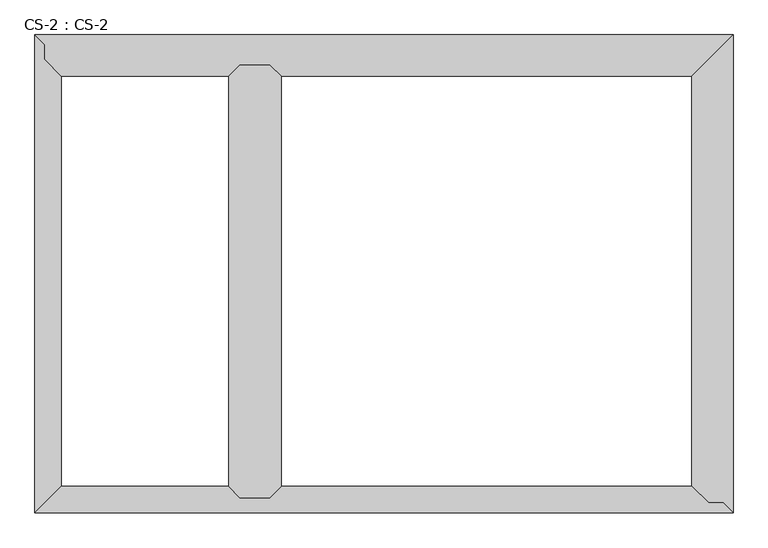
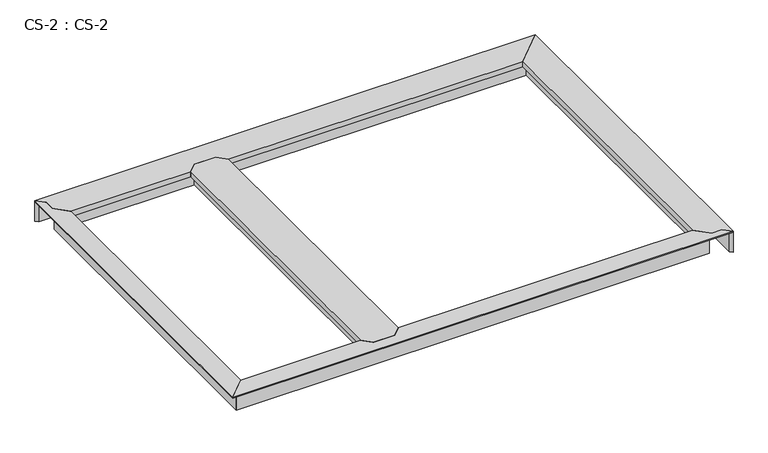
"""IFC4 building model written with IfcOpenShell, lengths in millimetres: proxy geometry, CS-2 : CS-2."""

from ifc_helpers import new_model, si_unit, origin, place, context, project, spatial, faceted_brep, source, transform, mapped, element, save


def cs_2_cs_2_a441e8d0(model_context):
    return source(origin(), model_context, "Body", "Brep", [
        faceted_brep([(515.62, 982.98, 46.355), (515.62, 982.98, 0.0), (508.635, 982.98, 0.0), (508.635, 982.98, 63.5), (456.565, 982.98, 63.5), (456.565, 982.98, 0.0), (449.58, 982.98, 0.0), (449.58, 982.98, 46.355), (449.58, 982.98, 66.675), (515.62, 982.98, 66.675), (449.58, 33.02, 46.355), (449.58, 33.02, 0.0), (456.565, 33.02, 0.0), (456.565, 33.02, 63.5), (508.635, 33.02, 63.5), (508.635, 33.02, 0.0), (515.62, 33.02, 0.0), (515.62, 33.02, 46.355), (515.62, 33.02, 66.675), (449.58, 33.02, 66.675), (424.942, 57.658, 66.675), (424.942, 958.342, 66.675), (424.942, 958.342, 49.8094), (424.942, 57.658, 49.8094), (426.466, 959.866, 49.8094), (426.466, 56.134, 49.8094), (426.466, 959.866, 64.643), (426.466, 56.134, 64.643), (436.753, 970.153, 64.643), (436.753, 45.847, 64.643), (436.753, 970.153, 46.355), (436.753, 45.847, 46.355), (528.447, 970.153, 46.355), (528.447, 45.847, 46.355), (528.447, 970.153, 64.643), (528.447, 45.847, 64.643), (538.734, 959.866, 64.643), (538.734, 56.134, 64.643), (538.734, 959.866, 49.8094), (538.734, 56.134, 49.8094), (540.258, 958.342, 49.8094), (540.258, 57.658, 49.8094), (540.258, 958.342, 66.675), (540.258, 57.658, 66.675)], [[[0, 1, 2, 3, 4, 5, 6, 7, 8, 9]], [[10, 11, 12, 13, 14, 15, 16, 17, 18, 19]], [[20, 21, 22, 23]], [[23, 22, 24, 25]], [[25, 24, 26, 27]], [[27, 26, 28, 29]], [[29, 28, 30, 31]], [[7, 10, 31, 30]], [[7, 6, 11, 10]], [[6, 5, 12, 11]], [[5, 4, 13, 12]], [[4, 3, 14, 13]], [[3, 2, 15, 14]], [[2, 1, 16, 15]], [[1, 0, 17, 16]], [[17, 0, 32, 33]], [[33, 32, 34, 35]], [[35, 34, 36, 37]], [[37, 36, 38, 39]], [[39, 38, 40, 41]], [[41, 40, 42, 43]], [[9, 8, 21, 20, 19, 18, 43, 42]], [[10, 19, 20, 23, 25, 27, 29, 31]], [[18, 17, 33, 35, 37, 39, 41, 43]], [[0, 9, 42, 40, 38, 36, 34, 32]], [[8, 7, 30, 28, 26, 24, 22, 21]]]),
        faceted_brep([(0.0, 0.0, 66.675), (1531.62, 0.0, 66.675), (1510.03, 21.59, 66.675), (1478.28, 21.59, 66.675), (1440.942, 57.658, 66.675), (540.258, 57.658, 66.675), (515.62, 33.02, 66.675), (449.58, 33.02, 66.675), (424.942, 57.658, 66.675), (57.658, 57.658, 66.675), (0.0, 0.0, 63.5), (1531.62, 0.0, 63.5), (26.035, 26.035, 63.5), (1473.6784859, 26.035, 63.5), (1478.28, 21.59, 63.5), (1510.03, 21.59, 63.5), (1473.6784859, 26.035, 0.0), (26.035, 26.035, 0.0), (33.02, 33.02, 0.0), (1466.4475352, 33.02, 0.0), (1466.4475352, 33.02, 46.355), (33.02, 33.02, 46.355), (449.58, 33.02, 46.355), (515.62, 33.02, 46.355), (1453.1688803, 45.847, 46.355), (528.447, 45.847, 46.355), (45.847, 45.847, 46.355), (436.753, 45.847, 46.355), (1453.1688803, 45.847, 64.643), (528.447, 45.847, 64.643), (45.847, 45.847, 64.643), (436.753, 45.847, 64.643), (1442.519662, 56.134, 64.643), (538.734, 56.134, 64.643), (56.134, 56.134, 64.643), (426.466, 56.134, 64.643), (1442.519662, 56.134, 49.8094), (538.734, 56.134, 49.8094), (56.134, 56.134, 49.8094), (426.466, 56.134, 49.8094), (1440.942, 57.658, 49.8094), (540.258, 57.658, 49.8094), (57.658, 57.658, 49.8094), (424.942, 57.658, 49.8094)], [[[0, 1, 2, 3, 4, 5, 6, 7, 8, 9]], [[1, 0, 10, 11]], [[11, 10, 12, 13, 14, 15]], [[16, 13, 12, 17]], [[18, 19, 16, 17]], [[20, 19, 18, 21, 22, 7, 6, 23]], [[24, 20, 23, 25]], [[21, 26, 27, 22]], [[28, 24, 25, 29]], [[26, 30, 31, 27]], [[32, 28, 29, 33]], [[30, 34, 35, 31]], [[36, 32, 33, 37]], [[34, 38, 39, 35]], [[40, 36, 37, 41]], [[38, 42, 43, 39]], [[4, 40, 41, 5]], [[42, 9, 8, 43]], [[15, 2, 1, 11]], [[3, 14, 13, 16, 19, 20, 24, 28, 32, 36, 40, 4]], [[2, 15, 14, 3]], [[0, 9, 42, 38, 34, 30, 26, 21, 18, 17, 12, 10]], [[7, 22, 27, 31, 35, 39, 43, 8]], [[23, 6, 5, 41, 37, 33, 29, 25]]]),
        faceted_brep([(1531.62, 1049.02, 0.0), (1531.62, 0.0, 0.0), (1524.635, 6.985, 0.0), (1524.635, 1042.035, 0.0), (1524.635, 1042.035, 63.5), (1524.635, 6.985, 63.5), (1472.565, 989.965, 63.5), (1510.03, 21.59, 63.5), (1478.28, 21.59, 63.5), (1472.565, 27.1106122, 63.5), (1472.565, 989.965, 0.0), (1472.565, 27.1106122, 0.0), (1465.58, 982.98, 0.0), (1465.58, 33.8580272, 0.0), (1465.58, 982.98, 46.355), (1465.58, 33.8580272, 46.355), (1452.753, 970.153, 46.355), (1452.753, 46.2487347, 46.355), (1452.753, 970.153, 63.5), (1452.753, 46.2487347, 63.5), (1442.466, 959.866, 63.5), (1442.466, 56.1858367, 63.5), (1442.466, 959.866, 49.8094), (1442.466, 56.1858367, 49.8094), (1440.942, 958.342, 49.8094), (1440.942, 57.658, 49.8094), (1440.942, 958.342, 66.675), (1440.942, 57.658, 66.675), (1531.62, 0.0, 66.675), (1531.62, 1049.02, 66.675), (1478.28, 21.59, 66.675), (1510.03, 21.59, 66.675)], [[[0, 1, 2, 3]], [[4, 3, 2, 5]], [[6, 4, 5, 7, 8, 9]], [[10, 6, 9, 11]], [[12, 10, 11, 13]], [[14, 12, 13, 15]], [[16, 14, 15, 17]], [[18, 16, 17, 19]], [[20, 18, 19, 21]], [[22, 20, 21, 23]], [[24, 22, 23, 25]], [[26, 24, 25, 27]], [[28, 29, 26, 27, 30, 31]], [[1, 0, 29, 28]], [[0, 3, 4, 6, 10, 12, 14, 16, 18, 20, 22, 24, 26, 29]], [[7, 31, 30, 8]], [[8, 30, 27, 25, 23, 21, 19, 17, 15, 13, 11, 9]], [[31, 7, 5, 2, 1, 28]]]),
        faceted_brep([(0.0, 1049.02, 0.0), (1531.62, 1049.02, 0.0), (1524.635, 1042.035, 0.0), (6.985, 1042.035, 0.0), (6.985, 1042.035, 63.5), (1524.635, 1042.035, 63.5), (21.59, 1027.43, 63.5), (1472.565, 989.965, 63.5), (27.1106122, 989.965, 63.5), (21.59, 995.68, 63.5), (27.1106122, 989.965, 0.0), (1472.565, 989.965, 0.0), (1465.58, 982.98, 0.0), (33.8580272, 982.98, 0.0), (33.8580272, 982.98, 46.355), (1465.58, 982.98, 46.355), (515.62, 982.98, 46.355), (515.62, 982.98, 66.675), (449.58, 982.98, 66.675), (449.58, 982.98, 46.355), (46.2487347, 970.153, 46.355), (436.753, 970.153, 46.355), (1452.753, 970.153, 46.355), (528.447, 970.153, 46.355), (46.2487347, 970.153, 63.5), (436.753, 970.153, 63.5), (1452.753, 970.153, 63.5), (528.447, 970.153, 63.5), (56.1858367, 959.866, 63.5), (426.466, 959.866, 63.5), (1442.466, 959.866, 63.5), (538.734, 959.866, 63.5), (56.1858367, 959.866, 49.8094), (426.466, 959.866, 49.8094), (1442.466, 959.866, 49.8094), (538.734, 959.866, 49.8094), (57.658, 958.342, 49.8094), (424.942, 958.342, 49.8094), (1440.942, 958.342, 49.8094), (540.258, 958.342, 49.8094), (57.658, 958.342, 66.675), (424.942, 958.342, 66.675), (1440.942, 958.342, 66.675), (540.258, 958.342, 66.675), (1531.62, 1049.02, 66.675), (0.0, 1049.02, 66.675), (21.59, 1027.43, 66.675), (21.59, 995.68, 66.675)], [[[0, 1, 2, 3]], [[4, 3, 2, 5]], [[6, 4, 5, 7, 8, 9]], [[10, 8, 7, 11]], [[12, 13, 10, 11]], [[14, 13, 12, 15, 16, 17, 18, 19]], [[20, 14, 19, 21]], [[15, 22, 23, 16]], [[24, 20, 21, 25]], [[22, 26, 27, 23]], [[28, 24, 25, 29]], [[26, 30, 31, 27]], [[32, 28, 29, 33]], [[30, 34, 35, 31]], [[36, 32, 33, 37]], [[34, 38, 39, 35]], [[40, 36, 37, 41]], [[38, 42, 43, 39]], [[44, 45, 46, 47, 40, 41, 18, 17, 43, 42]], [[1, 0, 45, 44]], [[6, 46, 45, 0, 3, 4]], [[47, 9, 8, 10, 13, 14, 20, 24, 28, 32, 36, 40]], [[46, 6, 9, 47]], [[2, 1, 44, 42, 38, 34, 30, 26, 22, 15, 12, 11, 7, 5]], [[17, 16, 23, 27, 31, 35, 39, 43]], [[19, 18, 41, 37, 33, 29, 25, 21]]]),
        faceted_brep([(0.0, 1049.02, 66.675), (0.0, 0.0, 66.675), (57.658, 57.658, 66.675), (57.658, 958.342, 66.675), (21.59, 995.68, 66.675), (21.59, 1027.43, 66.675), (0.0, 1049.02, 63.5), (0.0, 0.0, 63.5), (21.59, 1027.43, 63.5), (21.59, 995.68, 63.5), (26.035, 991.0784859, 63.5), (26.035, 26.035, 63.5), (26.035, 26.035, 0.0), (26.035, 991.0784859, 0.0), (33.02, 33.02, 0.0), (33.02, 983.8475352, 0.0), (33.02, 33.02, 46.355), (33.02, 983.8475352, 46.355), (45.847, 45.847, 46.355), (45.847, 970.5688803, 46.355), (45.847, 45.847, 64.643), (45.847, 970.5688803, 64.643), (56.134, 56.134, 64.643), (56.134, 959.919662, 64.643), (56.134, 56.134, 49.8094), (56.134, 959.919662, 49.8094), (57.658, 57.658, 49.8094), (57.658, 958.342, 49.8094)], [[[0, 1, 2, 3, 4, 5]], [[1, 0, 6, 7]], [[7, 6, 8, 9, 10, 11]], [[12, 11, 10, 13]], [[14, 12, 13, 15]], [[16, 14, 15, 17]], [[18, 16, 17, 19]], [[20, 18, 19, 21]], [[22, 20, 21, 23]], [[24, 22, 23, 25]], [[26, 24, 25, 27]], [[2, 26, 27, 3]], [[2, 1, 7, 11, 12, 14, 16, 18, 20, 22, 24, 26]], [[8, 5, 4, 9]], [[9, 4, 3, 27, 25, 23, 21, 19, 17, 15, 13, 10]], [[5, 8, 6, 0]]]),
    ])


if __name__ == "__main__":
    model = new_model("IFC4")
    model_context = context("Model", 3, world=origin())
    ifc_project = project(units=[si_unit("LENGTHUNIT", "METRE", prefix="MILLI")], contexts=[model_context])
    site = spatial("IfcSite", under=ifc_project)
    building = spatial("IfcBuilding", under=site)
    placement = place(None, origin())
    cs_2_cs_2_shape = cs_2_cs_2_a441e8d0(model_context)
    element("IfcBuildingElementProxy", 1, Name="CS-2 : CS-2", ObjectType="CS-2 : CS-2", at=placement, inside=building, context=model_context, shape_type="MappedRepresentation", body=[
        mapped(cs_2_cs_2_shape, transform((0.0, 0.0, 0.0), x_axis=(1.0, 0.0, 0.0), y_axis=(0.0, 1.0, 0.0), z_axis=(0.0, 0.0, 1.0))),
    ])
    save(model, "model.ifc")
